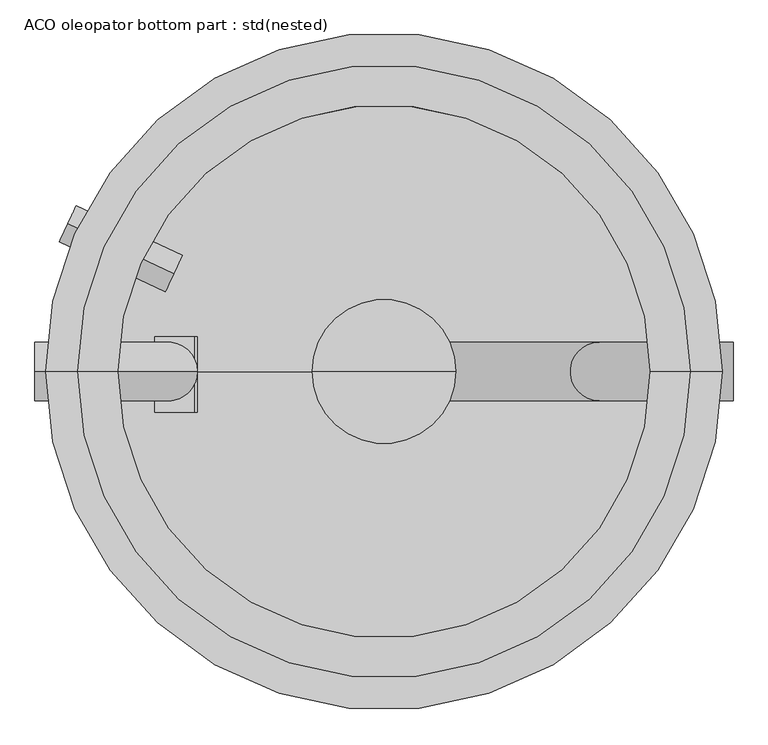
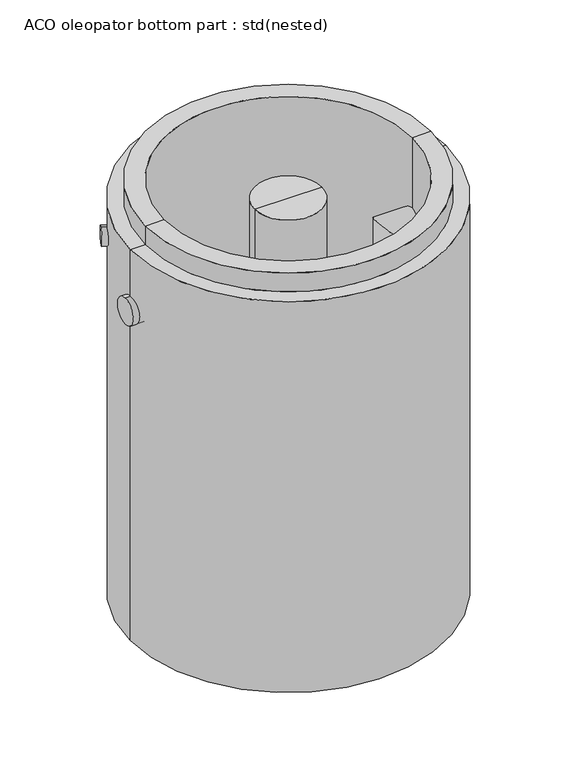
"""IFC4 building model written with IfcOpenShell, lengths in millimetres: unitary equipment geometry, ACO oleopator bottom part : std(nested)."""

import ifcopenshell
import ifcopenshell.guid

model = None  # the IFC model being written
_history = None  # IfcOwnerHistory: only IFC2X3 demands one
_inside = {}  # id of a spatial element -> (the spatial element, [elements in it])
_under = {}  # id of a project, library or spatial element -> (it, [spatial elements below it])
_declared = {}  # id of a project -> (the project, [libraries it declares])
_typed = {}  # id of a type object -> (the type object, [elements of that type])
_made_of = {}  # id of a material, layer set ... -> (it, [elements and type objects made of it])


def new_model(schema):
    """Start an empty IFC model of exactly this schema.

    Asked for "IFC4X3", IfcOpenShell would pick the latest addendum, in which some entities
    have other attributes; the version numbers below select the first issue.
    IFC2X3 requires an IfcOwnerHistory on every rooted entity: one is made here for all.
    """
    global model, _history
    if schema == "IFC4X3":
        model = ifcopenshell.file(schema_version=(4, 3, 0, 0))
    else:
        model = ifcopenshell.file(schema=schema)
    _inside.clear()
    _under.clear()
    _declared.clear()
    _typed.clear()
    _made_of.clear()
    _history = None
    if model.schema == "IFC2X3":
        org = make("IfcOrganization", Name="unknown")
        user = make(
            "IfcPersonAndOrganization",
            ThePerson=make("IfcPerson", FamilyName="unknown"),
            TheOrganization=org,
        )
        app = make(
            "IfcApplication",
            ApplicationDeveloper=org,
            Version="unknown",
            ApplicationFullName="unknown",
            ApplicationIdentifier="unknown",
        )
        _history = make(
            "IfcOwnerHistory",
            OwningUser=user,
            OwningApplication=app,
            ChangeAction="ADDED",
            CreationDate=0,
        )
    return model


def make(cls, **values):
    """One entity of the class cls with the attributes given. An attribute that is None is left unset."""
    return model.create_entity(
        cls, **{name: value for name, value in values.items() if value is not None}
    )


def rooted(cls, **values):
    """An entity with a GlobalId (a new one), such as an element, a storey or a relation."""
    return make(cls, GlobalId=ifcopenshell.guid.new(), OwnerHistory=_history, **values)


def si_unit(unit_type, name, prefix=None):
    """IfcSIUnit, for example si_unit("LENGTHUNIT", "METRE", prefix="MILLI")."""
    return make("IfcSIUnit", UnitType=unit_type, Prefix=prefix, Name=name)


def assignment(units):
    """IfcUnitAssignment: the units of a project."""
    return None if units is None else make("IfcUnitAssignment", Units=units)


def point(xyz):
    """IfcCartesianPoint."""
    return None if xyz is None else make("IfcCartesianPoint", Coordinates=xyz)


def direction(xyz):
    """IfcDirection."""
    return None if xyz is None else make("IfcDirection", DirectionRatios=xyz)


def frame(location, z_axis=None, x_axis=None):
    """IfcAxis2Placement3D, a coordinate frame: its origin and axes. An axis left out is left unset."""
    return make(
        "IfcAxis2Placement3D",
        Location=point(location),
        Axis=direction(z_axis),
        RefDirection=direction(x_axis),
    )


def frame_2d(location, x_axis=None):
    """IfcAxis2Placement2D, a coordinate frame in the plane: its origin and x axis."""
    return make(
        "IfcAxis2Placement2D", Location=point(location), RefDirection=direction(x_axis)
    )


def origin():
    """The frame at (0, 0, 0) with its axes left unset."""
    return frame((0.0, 0.0, 0.0))


def origin_with_axes():
    """The frame at (0, 0, 0) with the z axis (0, 0, 1) and the x axis (1, 0, 0) written out."""
    return frame((0.0, 0.0, 0.0), z_axis=(0.0, 0.0, 1.0), x_axis=(1.0, 0.0, 0.0))


def place(relative_to, where):
    """IfcLocalPlacement: puts the frame where relative to a parent placement (None: the world)."""
    return make(
        "IfcLocalPlacement", PlacementRelTo=relative_to, RelativePlacement=where
    )


def context(
    kind, dimensions, precision=None, world=None, true_north=None, identifier=None
):
    """IfcGeometricRepresentationContext, for example the 3D "Model" context."""
    return make(
        "IfcGeometricRepresentationContext",
        ContextIdentifier=identifier,
        ContextType=kind,
        CoordinateSpaceDimension=dimensions,
        Precision=precision,
        WorldCoordinateSystem=world,
        TrueNorth=true_north,
    )


def project(units=None, contexts=None):
    """IfcProject with its units and contexts."""
    return rooted(
        "IfcProject",
        Name="project",
        RepresentationContexts=contexts,
        UnitsInContext=assignment(units),
    )


def spatial(cls, under=None, at=None, **own):
    """A site, building, storey or space (cls), placed at a placement, below another one or the project."""
    s = rooted(cls, ObjectPlacement=at, **own)
    if under is not None:
        _under.setdefault(under.id(), (under, []))[1].append(s)
    return s


def polyline(points):
    """IfcPolyline through the points."""
    return make("IfcPolyline", Points=[point(p) for p in points])


def circle_curve(where, radius):
    """IfcCircle in the frame where."""
    return make("IfcCircle", Position=where, Radius=radius)


def ellipse_curve(where, semi_axis1, semi_axis2):
    """IfcEllipse in the frame where."""
    return make(
        "IfcEllipse", Position=where, SemiAxis1=semi_axis1, SemiAxis2=semi_axis2
    )


def trimmed(basis, trim1, trim2, sense, master):
    """IfcTrimmedCurve: the piece of a basis curve between two trims."""
    return make(
        "IfcTrimmedCurve",
        BasisCurve=basis,
        Trim1=trim1,
        Trim2=trim2,
        SenseAgreement=sense,
        MasterRepresentation=master,
    )


def segment(curve, same_sense, transition):
    """IfcCompositeCurveSegment."""
    return make(
        "IfcCompositeCurveSegment",
        Transition=transition,
        SameSense=same_sense,
        ParentCurve=curve,
    )


def composite_curve(segments, self_intersect=None):
    """IfcCompositeCurve: segments joined end to end."""
    return make("IfcCompositeCurve", Segments=segments, SelfIntersect=self_intersect)


def outline(outer, holes=None, kind="AREA"):
    """IfcArbitraryClosedProfileDef: a profile drawn as a closed curve; with holes, ...WithVoids."""
    if holes is None:
        return make("IfcArbitraryClosedProfileDef", ProfileType=kind, OuterCurve=outer)
    return make(
        "IfcArbitraryProfileDefWithVoids",
        ProfileType=kind,
        OuterCurve=outer,
        InnerCurves=holes,
    )


def extrude(swept, where, along, depth):
    """IfcExtrudedAreaSolid: the profile swept, set in the frame where, extruded along a direction by depth."""
    return make(
        "IfcExtrudedAreaSolid",
        SweptArea=swept,
        Position=where,
        ExtrudedDirection=direction(along),
        Depth=depth,
    )


def shape(context_of_items, identifier, shape_type, items):
    """IfcShapeRepresentation: the items that make up one representation, for example the "Body"."""
    return make(
        "IfcShapeRepresentation",
        ContextOfItems=context_of_items,
        RepresentationIdentifier=identifier,
        RepresentationType=shape_type,
        Items=items,
    )


def source(mapping_origin, context_of_items, identifier, shape_type, items):
    """IfcRepresentationMap: a shape defined once, which mapped items show again and again."""
    return make(
        "IfcRepresentationMap",
        MappingOrigin=mapping_origin,
        MappedRepresentation=shape(context_of_items, identifier, shape_type, items),
    )


def transform(
    local_origin,
    x_axis=None,
    y_axis=None,
    z_axis=None,
    scale=None,
    scale2=None,
    scale3=None,
    uniform=True,
):
    """IfcCartesianTransformationOperator3D, or its non-uniform kind. x_axis, y_axis, z_axis: its Axis1, 2, 3."""
    if uniform:
        return make(
            "IfcCartesianTransformationOperator3D",
            Axis1=direction(x_axis),
            Axis2=direction(y_axis),
            LocalOrigin=point(local_origin),
            Scale=scale,
            Axis3=direction(z_axis),
        )
    return make(
        "IfcCartesianTransformationOperator3DnonUniform",
        Axis1=direction(x_axis),
        Axis2=direction(y_axis),
        LocalOrigin=point(local_origin),
        Scale=scale,
        Axis3=direction(z_axis),
        Scale2=scale2,
        Scale3=scale3,
    )


def mapped(mapping_source, mapping_target):
    """IfcMappedItem: shows the shape of a source again, moved by a transform."""
    return make(
        "IfcMappedItem", MappingSource=mapping_source, MappingTarget=mapping_target
    )


def made_of(thing, what):
    """Note that an element or type object is made of a material, layer set ...; save() writes the relation."""
    if what is not None:
        _made_of.setdefault(what.id(), (what, []))[1].append(thing)
    return thing


def element(
    cls,
    number,
    at=None,
    inside=None,
    cuts=None,
    type_object=None,
    material=None,
    context=None,
    identifier="Body",
    shape_type=None,
    held_by="IfcProductDefinitionShape",
    body=None,
    shapes=None,
    **own,
):
    """One element of the class cls, such as IfcWall. Its Tag is "e" and its number.

    at: its placement. inside: the storey or other place that contains it. cuts: it is an
    opening in that element (IfcRelVoidsElement). A single representation is given by context,
    identifier, shape_type and body (its items); several are given by shapes. held_by: the class
    of the entity that holds the representations. save() writes the other relations.
    """
    e = rooted(cls, Tag="e%d" % number, ObjectPlacement=at, **own)
    if body is not None:
        shapes = [shape(context, identifier, shape_type, body)]
    if shapes is not None:
        e.Representation = make(held_by, Representations=shapes)
    if inside is not None:
        _inside.setdefault(inside.id(), (inside, []))[1].append(e)
    if cuts is not None:
        rooted(
            "IfcRelVoidsElement", RelatingBuildingElement=cuts, RelatedOpeningElement=e
        )
    if type_object is not None:
        _typed.setdefault(type_object.id(), (type_object, []))[1].append(e)
    return made_of(e, material)


def aggregate(whole, parts):
    """IfcRelAggregates: a whole, such as a stair, and the parts it consists of."""
    return rooted("IfcRelAggregates", RelatingObject=whole, RelatedObjects=parts)


def save(model, path):
    """Write the relations noted so far, then the file.

    IfcRelAggregates (storeys below a building ...), IfcRelContainedInSpatialStructure (elements
    in a storey), IfcRelDefinesByType, IfcRelAssociatesMaterial and IfcRelDeclares: one each for
    every whole, place, type object, material and project.
    """
    for whole, parts in _under.values():
        aggregate(whole, parts)
    for where, things in _inside.values():
        rooted(
            "IfcRelContainedInSpatialStructure",
            RelatedElements=things,
            RelatingStructure=where,
        )
    for kind, things in _typed.values():
        rooted("IfcRelDefinesByType", RelatedObjects=things, RelatingType=kind)
    for what, things in _made_of.values():
        rooted("IfcRelAssociatesMaterial", RelatedObjects=things, RelatingMaterial=what)
    for by, libraries in _declared.values():
        rooted("IfcRelDeclares", RelatingContext=by, RelatedDefinitions=libraries)
    model.write(path)


def plane_surface(at):
    """IfcPlane: the flat surface through the origin of the frame at, square to its z axis."""
    return make("IfcPlane", Position=at)


def cylinder_surface(at, radius):
    """IfcCylindricalSurface: all points at the distance radius from the z axis of the frame at."""
    return make("IfcCylindricalSurface", Position=at, Radius=radius)


def revolved_surface(curve, axis_point, axis_direction):
    """IfcSurfaceOfRevolution: the curve turned about the line through axis_point along axis_direction."""
    return make(
        "IfcSurfaceOfRevolution",
        SweptCurve=make("IfcArbitraryOpenProfileDef", ProfileType="CURVE", Curve=curve),
        AxisPosition=make("IfcAxis1Placement", Location=point(axis_point), Axis=direction(axis_direction)),
    )


def advanced_brep(points, edges, surfaces, faces):
    """IfcAdvancedBrep: a solid bounded by faces that lie on surfaces and meet in shared edges.

    An edge is (start, end): straight between two places in points (the first is 0);
    or (start, end, curve); or (start, end, curve, False) where it runs against its curve.
    A face is (place in surfaces, loops), or (place, loops, False) where it looks against
    its surface's normal. A loop lists edges by number (the first is 1), with a minus sign
    where the edge is run from its end to its start. The first loop is the outer one.
    """
    corners = [point(p) for p in points]
    vertices = [make("IfcVertexPoint", VertexGeometry=c) for c in corners]
    made = []
    for start, end, *more in edges:
        made.append(
            make(
                "IfcEdgeCurve",
                EdgeStart=vertices[start],
                EdgeEnd=vertices[end],
                EdgeGeometry=more[0] if more else make("IfcPolyline", Points=[corners[start], corners[end]]),
                SameSense=more[1] if len(more) > 1 else True,
            )
        )
    hull = []
    for where, loops, *sense in faces:
        bounds = []
        for j, loop in enumerate(loops):
            ring = [make("IfcOrientedEdge", EdgeElement=made[abs(k) - 1], Orientation=k > 0) for k in loop]
            bounds.append(
                make(
                    "IfcFaceOuterBound" if j == 0 else "IfcFaceBound",
                    Bound=make("IfcEdgeLoop", EdgeList=ring),
                    Orientation=True,
                )
            )
        hull.append(make("IfcAdvancedFace", Bounds=bounds, FaceSurface=surfaces[where], SameSense=sense[0] if sense else True))
    return make("IfcAdvancedBrep", Outer=make("IfcClosedShell", CfsFaces=hull))


def aco_oleopator_bottom_part_std_nested_9843bc3a(model_context):
    return source(origin(), model_context, "Body", "SolidModel", [
        extrude(outline(polyline([(-1238.0, -350.0), (-1118.0, -350.0), (-1118.0, -355.0), (-1233.0, -355.0), (-1233.0, -430.0), (-1238.0, -430.0), (-1238.0, -350.0)])), frame((0.0, -76.3967765, 0.0), z_axis=(0.0, 1.0, 0.0), x_axis=(0.0, 0.0, 1.0)), (0.0, 0.0, 1.0), 141.6888195),
        extrude(outline(composite_curve([segment(trimmed(circle_curve(frame_2d((0.0, -37.5)), 37.5), [point((0.0, -75.0))], [point((0.0, 0.0))], False, "CARTESIAN"), True, "CONTINUOUS"), segment(trimmed(circle_curve(frame_2d((0.0, -37.5)), 37.5), [point((0.0, 0.0))], [point((0.0, -75.0))], False, "CARTESIAN"), True, "CONTINUOUS")], self_intersect=False)), frame((-394.2438874, 183.8389439, -165.4626011), z_axis=(-0.9063077870366502, 0.422618261740699, 0.0), x_axis=(-0.422618261740699, -0.9063077870366502, 0.0)), (0.0, 0.0, 1.0), 220.0),
        advanced_brep(
        [(0.0, 55.0, -1118.0), (0.0, -55.0, -1118.0), (0.0, 55.0, -1213.0), (0.0, -55.0, -1213.0), (405.0, 55.0, -1213.0), (405.0, -55.0, -1213.0), (405.0, 55.0, -355.0), (405.0, -55.0, -355.0), (655.0, 55.0, -355.0), (655.0, -55.0, -355.0)],
        [
            (0, 1, circle_curve(frame((0.0, 0.0, -1118.0), z_axis=(0.0, 0.0, 1.0), x_axis=(0.0, -1.0, 0.0)), 55.0)),
            (1, 0, circle_curve(frame((0.0, 0.0, -1118.0), z_axis=(0.0, 0.0, 1.0), x_axis=(0.0, -1.0, 0.0)), 55.0)),
            (0, 2),
            (2, 3, ellipse_curve(frame((0.0, 0.0, -1213.0), z_axis=(-0.7071067811865475, 0.0, 0.7071067811865475), x_axis=(0.7071067811865474, 0.0, 0.7071067811865476)), 77.7817459, 55.0)),
            (3, 1),
            (3, 2, ellipse_curve(frame((0.0, 0.0, -1213.0), z_axis=(-0.7071067811865475, 0.0, 0.7071067811865475), x_axis=(0.7071067811865474, 0.0, 0.7071067811865476)), 77.7817459, 55.0)),
            (2, 4),
            (4, 5, ellipse_curve(frame((405.0, 0.0, -1213.0), z_axis=(-0.7071067811865475, 0.0, -0.7071067811865475), x_axis=(-0.7071067811865476, 0.0, 0.7071067811865474)), 77.7817459, 55.0)),
            (5, 3),
            (5, 4, ellipse_curve(frame((405.0, 0.0, -1213.0), z_axis=(-0.7071067811865475, 0.0, -0.7071067811865475), x_axis=(-0.7071067811865476, 0.0, 0.7071067811865474)), 77.7817459, 55.0)),
            (4, 6),
            (6, 7, ellipse_curve(frame((405.0, 0.0, -355.0), z_axis=(-0.7071067811865475, 0.0, -0.7071067811865475), x_axis=(0.7071067811865474, 0.0, -0.7071067811865476)), 77.7817459, 55.0)),
            (7, 5),
            (7, 6, ellipse_curve(frame((405.0, 0.0, -355.0), z_axis=(-0.7071067811865475, 0.0, -0.7071067811865475), x_axis=(0.7071067811865474, 0.0, -0.7071067811865476)), 77.7817459, 55.0)),
            (8, 9, circle_curve(frame((655.0, 0.0, -355.0), z_axis=(1.0, 0.0, 0.0), x_axis=(0.0, -1.0, 0.0)), 55.0)),
            (9, 8, circle_curve(frame((655.0, 0.0, -355.0), z_axis=(1.0, 0.0, 0.0), x_axis=(0.0, -1.0, 0.0)), 55.0)),
            (6, 8),
            (9, 7),
        ],
        [
            plane_surface(frame((0.0, 0.0, -1118.0), z_axis=(0.0, 0.0, 1.0), x_axis=(0.0, -1.0, 0.0))),
            cylinder_surface(frame((0.0, 0.0, -1118.0), z_axis=(0.0, 0.0, 1.0), x_axis=(0.0, -1.0, 0.0)), 55.0),
            cylinder_surface(frame((0.0, 0.0, -1213.0), z_axis=(-1.0, 0.0, 0.0), x_axis=(0.0, -1.0, 0.0)), 55.0),
            cylinder_surface(frame((405.0, 0.0, -1213.0), z_axis=(0.0, 0.0, -1.0), x_axis=(0.0, -1.0, 0.0)), 55.0),
            plane_surface(frame((655.0, 0.0, -355.0), z_axis=(1.0, 0.0, 0.0), x_axis=(0.0, -1.0, 0.0))),
            cylinder_surface(frame((405.0, 0.0, -355.0), z_axis=(-1.0, 0.0, 0.0), x_axis=(0.0, -1.0, 0.0)), 55.0),
        ],
        [
            (0, [[1, 2]]),
            (1, [[-1, 3, 4, 5]]),
            (1, [[-2, -5, 6, -3]]),
            (2, [[-4, 7, 8, 9]]),
            (2, [[-6, -9, 10, -7]]),
            (3, [[-8, 11, 12, 13]]),
            (3, [[-10, -13, 14, -11]]),
            (4, [[15, 16]]),
            (5, [[-12, 17, -16, 18]]),
            (5, [[-14, -18, -15, -17]]),
        ],
    ),
        advanced_brep(
        [(-655.0, 0.0, -390.0), (-655.0, 0.0, -280.0), (-460.0, 0.0, -390.0), (-350.0, 0.0, -280.0), (-460.0, 0.0, -1118.0), (-350.0, 0.0, -1118.0)],
        [
            (0, 1, circle_curve(frame((-655.0, 0.0, -335.0), z_axis=(-1.0, 0.0, 0.0), x_axis=(0.0, 0.0, 1.0)), 55.0)),
            (1, 0, circle_curve(frame((-655.0, 0.0, -335.0), z_axis=(-1.0, 0.0, 0.0), x_axis=(0.0, 0.0, 1.0)), 55.0)),
            (0, 2),
            (2, 3, ellipse_curve(frame((-405.0, 0.0, -335.0), z_axis=(-0.7071067811865475, 0.0, 0.7071067811865475), x_axis=(-0.7071067811865476, 0.0, -0.7071067811865474)), 77.7817459, 55.0)),
            (3, 1),
            (3, 2, ellipse_curve(frame((-405.0, 0.0, -335.0), z_axis=(-0.7071067811865475, 0.0, 0.7071067811865475), x_axis=(-0.7071067811865476, 0.0, -0.7071067811865474)), 77.7817459, 55.0)),
            (4, 5, circle_curve(frame((-405.0, 0.0, -1118.0), z_axis=(0.0, 0.0, -1.0), x_axis=(1.0, 0.0, 0.0)), 55.0)),
            (5, 4, circle_curve(frame((-405.0, 0.0, -1118.0), z_axis=(0.0, 0.0, -1.0), x_axis=(1.0, 0.0, 0.0)), 55.0)),
            (2, 4),
            (5, 3),
        ],
        [
            plane_surface(frame((-655.0, 0.0, -335.0), z_axis=(-1.0, 0.0, 0.0), x_axis=(0.0, -1.0, 0.0))),
            cylinder_surface(frame((-655.0, 0.0, -335.0), z_axis=(-1.0, 0.0, 0.0), x_axis=(0.0, 0.0, 1.0)), 55.0),
            plane_surface(frame((-405.0, 0.0, -1118.0), z_axis=(0.0, 0.0, -1.0), x_axis=(0.0, -1.0, 0.0))),
            cylinder_surface(frame((-405.0, 0.0, -335.0), z_axis=(0.0, 0.0, 1.0), x_axis=(1.0, 0.0, 0.0)), 55.0),
        ],
        [
            (0, [[1, 2]]),
            (1, [[-1, 3, 4, 5]]),
            (1, [[-2, -5, 6, -3]]),
            (2, [[7, 8]]),
            (3, [[-4, 9, -8, 10]]),
            (3, [[-6, -10, -7, -9]]),
        ],
    ),
        advanced_brep(
        [(0.0, 0.0, -82.8373104), (135.0, 0.0, -82.8373104), (-135.0, 0.0, -82.8373104), (-135.0, 0.0, -1118.0), (135.0, 0.0, -1118.0), (0.0, 0.0, -1118.0)],
        [
            (0, 1),
            (1, 2, circle_curve(frame((0.0, 0.0, -82.8373104), z_axis=(0.0, 0.0, 1.0), x_axis=(1.0, 0.0, 0.0)), 135.0)),
            (2, 0),
            (2, 1, circle_curve(frame((0.0, 0.0, -82.8373104), z_axis=(0.0, 0.0, 1.0), x_axis=(1.0, 0.0, 0.0)), 135.0)),
            (3, 4, circle_curve(frame((0.0, 0.0, -1118.0), z_axis=(0.0, 0.0, -1.0), x_axis=(1.0, 0.0, 0.0)), 135.0)),
            (4, 5),
            (5, 3),
            (4, 3, circle_curve(frame((0.0, 0.0, -1118.0), z_axis=(0.0, 0.0, -1.0), x_axis=(1.0, 0.0, 0.0)), 135.0)),
            (1, 4),
            (3, 2),
        ],
        [
            plane_surface(frame((0.0, 0.0, -82.8373104), z_axis=(0.0, 0.0, 1.0), x_axis=(1.0, 0.0, 0.0))),
            plane_surface(frame((0.0, 0.0, -1118.0), z_axis=(0.0, 0.0, -1.0), x_axis=(1.0, 0.0, 0.0))),
            cylinder_surface(frame((0.0, 0.0, -220.0), z_axis=(0.0, 0.0, 1.0), x_axis=(1.0, 0.0, 0.0)), 135.0),
        ],
        [
            (0, [[1, 2, 3]]),
            (0, [[-3, 4, -1]]),
            (1, [[5, 6, 7]]),
            (1, [[8, -7, -6]]),
            (2, [[-2, 9, -5, 10]]),
            (2, [[-4, -10, -8, -9]]),
        ],
    ),
        advanced_brep(
        [(0.0, 0.0, -1610.0), (500.0, 0.0, -1610.0), (-500.0, 0.0, -1610.0), (-635.0, 0.0, -1745.0), (635.0, 0.0, -1745.0), (0.0, 0.0, -1745.0), (-635.0, 0.0, -80.0), (635.0, 0.0, -80.0), (500.0, 0.0, 0.0), (-500.0, 0.0, 0.0), (-575.0, 0.0, -80.0), (575.0, 0.0, -80.0), (-575.0, 0.0, 0.0), (575.0, 0.0, 0.0)],
        [
            (0, 1),
            (1, 2, circle_curve(frame((0.0, 0.0, -1610.0), z_axis=(0.0, 0.0, 1.0), x_axis=(1.0, 0.0, 0.0)), 500.0)),
            (2, 0),
            (2, 1, circle_curve(frame((0.0, 0.0, -1610.0), z_axis=(0.0, 0.0, 1.0), x_axis=(1.0, 0.0, 0.0)), 500.0)),
            (3, 4, circle_curve(frame((0.0, 0.0, -1745.0), z_axis=(0.0, 0.0, -1.0), x_axis=(1.0, 0.0, 0.0)), 635.0)),
            (4, 5),
            (5, 3),
            (4, 3, circle_curve(frame((0.0, 0.0, -1745.0), z_axis=(0.0, 0.0, -1.0), x_axis=(1.0, 0.0, 0.0)), 635.0)),
            (6, 7, circle_curve(frame((0.0, 0.0, -80.0), z_axis=(0.0, 0.0, -1.0), x_axis=(1.0, 0.0, 0.0)), 635.0)),
            (7, 4),
            (3, 6),
            (7, 6, circle_curve(frame((0.0, 0.0, -80.0), z_axis=(0.0, 0.0, -1.0), x_axis=(1.0, 0.0, 0.0)), 635.0)),
            (1, 8),
            (8, 9, circle_curve(origin_with_axes(), 500.0)),
            (9, 2),
            (9, 8, circle_curve(origin_with_axes(), 500.0)),
            (10, 11, circle_curve(frame((0.0, 0.0, -80.0), z_axis=(0.0, 0.0, -1.0), x_axis=(1.0, 0.0, 0.0)), 575.0)),
            (11, 7),
            (6, 10),
            (11, 10, circle_curve(frame((0.0, 0.0, -80.0), z_axis=(0.0, 0.0, -1.0), x_axis=(1.0, 0.0, 0.0)), 575.0)),
            (12, 13, circle_curve(frame((0.0, 0.0, 0.0), z_axis=(0.0, 0.0, -1.0), x_axis=(1.0, 0.0, 0.0)), 575.0)),
            (13, 11),
            (10, 12),
            (13, 12, circle_curve(frame((0.0, 0.0, 0.0), z_axis=(0.0, 0.0, -1.0), x_axis=(1.0, 0.0, 0.0)), 575.0)),
            (8, 13),
            (12, 9),
        ],
        [
            plane_surface(frame((0.0, 0.0, -1610.0), z_axis=(0.0, 0.0, 1.0), x_axis=(1.0, 0.0, 0.0))),
            plane_surface(frame((0.0, 0.0, -1745.0), z_axis=(0.0, 0.0, -1.0), x_axis=(1.0, 0.0, 0.0))),
            cylinder_surface(origin_with_axes(), 635.0),
            revolved_surface(polyline([(500.0, 0.0, 0.0), (500.0, 0.0, -1610.0)]), (0.0, 0.0, 0.0), (0.0, 0.0, 1.0)),
            plane_surface(frame((0.0, 0.0, -80.0), z_axis=(0.0, 0.0, 1.0), x_axis=(1.0, 0.0, 0.0))),
            cylinder_surface(origin_with_axes(), 575.0),
            plane_surface(origin_with_axes()),
        ],
        [
            (0, [[1, 2, 3]]),
            (0, [[-3, 4, -1]]),
            (1, [[5, 6, 7]]),
            (1, [[8, -7, -6]]),
            (2, [[9, 10, -5, 11]]),
            (2, [[12, -11, -8, -10]]),
            (3, [[-2, 13, 14, 15]]),
            (3, [[-4, -15, 16, -13]]),
            (4, [[17, 18, -9, 19]]),
            (4, [[20, -19, -12, -18]]),
            (5, [[21, 22, -17, 23]]),
            (5, [[24, -23, -20, -22]]),
            (6, [[-14, 25, -21, 26]]),
            (6, [[-16, -26, -24, -25]]),
        ],
    ),
    ])


if __name__ == "__main__":
    model = new_model("IFC4")
    model_context = context("Model", 3, world=origin())
    ifc_project = project(units=[si_unit("LENGTHUNIT", "METRE", prefix="MILLI")], contexts=[model_context])
    site = spatial("IfcSite", under=ifc_project)
    building = spatial("IfcBuilding", under=site)
    placement = place(None, origin())
    aco_oleopator_bottom_part_std_nested_shape = aco_oleopator_bottom_part_std_nested_9843bc3a(model_context)
    element("IfcUnitaryEquipment", 1, ObjectType="ACO oleopator bottom part : std(nested)", at=placement, inside=building, context=model_context, shape_type="MappedRepresentation", body=[
        mapped(aco_oleopator_bottom_part_std_nested_shape, transform((0.0, 0.0, 0.0), x_axis=(1.0, 0.0, 0.0), y_axis=(0.0, 1.0, 0.0), z_axis=(0.0, 0.0, 1.0))),
    ])
    save(model, "model.ifc")
